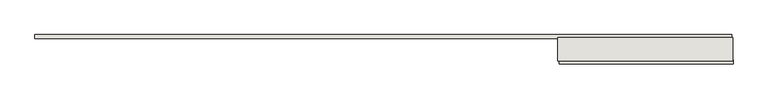
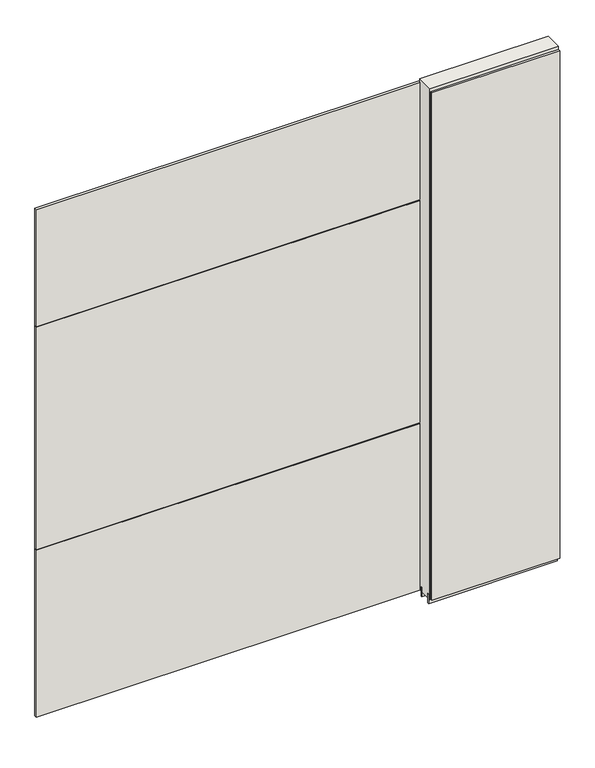
"""IFC4 building model written with IfcOpenShell, lengths in millimetres: wall geometry."""

from ifc_helpers import new_model, si_unit, frame, origin, place, context, project, spatial, polyline, outline, extrude, source, transform, mapped, element, save


def wall_f59a2e7b(model_context):
    return source(origin(), model_context, "Body", "SweptSolid", [
        extrude(outline(polyline([(55723.768918, -47669.4636398), (55726.308918, -47669.4636398), (55726.308918, -47672.0036398), (55723.768918, -47672.0036398), (55723.768918, -47669.4636398)])), frame((0.0, 0.0, 4419.6), z_axis=(0.0, 0.0, 1.0), x_axis=(1.0, 0.0, 0.0)), (0.0, 0.0, 1.0), 2.54),
        extrude(outline(polyline([(55726.7782084, -47721.5336398), (55121.1782512, -47721.5336398), (55121.1782512, -47708.8336398), (55726.7782084, -47708.8336398), (55726.7782084, -47721.5336398)])), frame((0.0, 0.0, 4445.0), z_axis=(0.0, 0.0, 1.0), x_axis=(1.0, 0.0, 0.0)), (0.0, 0.0, 1.0), 2545.0498756),
        extrude(outline(polyline([(53296.4441308, -47619.9336398), (55721.8441568, -47619.9336398), (55721.8441568, -47632.6336398), (53296.4441308, -47632.6336398), (53296.4441308, -47619.9336398)])), frame((0.0, 0.0, 6402.8000722), z_axis=(0.0, 0.0, 1.0), x_axis=(1.0, 0.0, 0.0)), (0.0, 0.0, 1.0), 587.2498034),
        extrude(outline(polyline([(53296.4441308, -47619.9336398), (55721.8441568, -47619.9336398), (55721.8441568, -47632.6336398), (53296.4441308, -47632.6336398), (53296.4441308, -47619.9336398)])), frame((0.0, 0.0, 5285.199869), z_axis=(0.0, 0.0, 1.0), x_axis=(1.0, 0.0, 0.0)), (0.0, 0.0, 1.0), 1113.5999572),
        extrude(outline(polyline([(53296.4441308, -47619.9336398), (55721.8441568, -47619.9336398), (55721.8441568, -47632.6336398), (53296.4441308, -47632.6336398), (53296.4441308, -47619.9336398)])), frame((0.0, 0.0, 4445.0), z_axis=(0.0, 0.0, 1.0), x_axis=(1.0, 0.0, 0.0)), (0.0, 0.0, 1.0), 836.200004),
        extrude(outline(polyline([(55116.703965, -47695.8142856), (55726.303965, -47695.8142856), (55726.303965, -47700.8961398), (55116.703965, -47700.8961398), (55116.703965, -47695.8142856)])), frame((0.0, 0.0, 4418.6602), z_axis=(0.0, 0.0, 1.0), x_axis=(1.0, 0.0, 0.0)), (0.0, 0.0, 1.0), 47.625),
        extrude(outline(polyline([(55116.703965, -47695.8142856), (55726.303965, -47695.8142856), (55726.303965, -47700.8961398), (55116.703965, -47700.8961398), (55116.703965, -47695.8142856)])), frame((0.0, 0.0, 4418.6602), z_axis=(0.0, 0.0, 1.0), x_axis=(1.0, 0.0, 0.0)), (0.0, 0.0, 1.0), 47.625),
        extrude(outline(polyline([(55726.303965, -47645.6498952), (55116.703965, -47645.6498952), (55116.703965, -47640.5711398), (55726.303965, -47640.5711398), (55726.303965, -47645.6498952)])), frame((0.0, 0.0, 4418.6602), z_axis=(0.0, 0.0, 1.0), x_axis=(1.0, 0.0, 0.0)), (0.0, 0.0, 1.0), 47.625),
        extrude(outline(polyline([(55726.303965, -47645.6498952), (55116.703965, -47645.6498952), (55116.703965, -47640.5711398), (55726.303965, -47640.5711398), (55726.303965, -47645.6498952)])), frame((0.0, 0.0, 4418.6602), z_axis=(0.0, 0.0, 1.0), x_axis=(1.0, 0.0, 0.0)), (0.0, 0.0, 1.0), 47.625),
        extrude(outline(polyline([(55116.703965, -47711.3854254), (55116.703965, -47630.10667), (55726.303965, -47630.10667), (55726.303965, -47711.3854254), (55116.703965, -47711.3854254)])), frame((0.0, 0.0, 4445.0), z_axis=(0.0, 0.0, 1.0), x_axis=(1.0, 0.0, 0.0)), (0.0, 0.0, 1.0), 2562.4536762),
    ])


if __name__ == "__main__":
    model = new_model("IFC4")
    model_context = context("Model", 3, world=origin())
    ifc_project = project(units=[si_unit("LENGTHUNIT", "METRE", prefix="MILLI")], contexts=[model_context])
    site = spatial("IfcSite", under=ifc_project)
    building = spatial("IfcBuilding", under=site)
    placement = place(None, origin())
    wall_shape = wall_f59a2e7b(model_context)
    element("IfcWall", 1, at=placement, inside=building, context=model_context, shape_type="MappedRepresentation", body=[
        mapped(wall_shape, transform((0.0, 0.0, 0.0), x_axis=(1.0, 0.0, 0.0), y_axis=(0.0, 1.0, 0.0), z_axis=(0.0, 0.0, 1.0))),
    ])
    save(model, "model.ifc")
